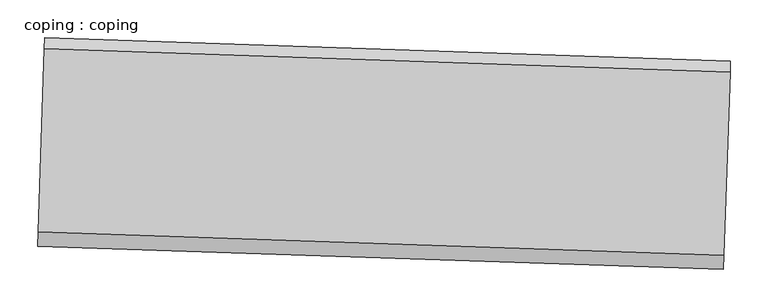
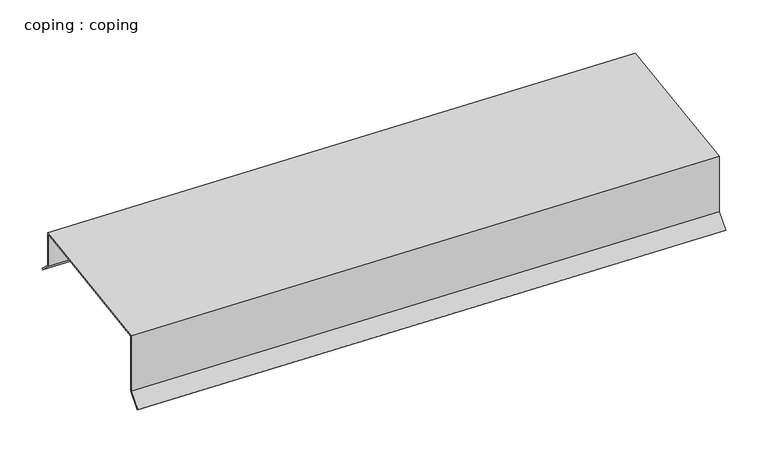
"""IFC4 building model written with IfcOpenShell, lengths in millimetres: proxy geometry, coping : coping."""

from ifc_helpers import new_model, si_unit, frame, origin, place, context, project, spatial, polyline, outline, extrude, source, transform, mapped, element, save


def coping_coping_3c029912(model_context):
    return source(origin(), model_context, "Body", "SweptSolid", [
        extrude(outline(polyline([(0.0, 0.0), (8.103316, -92.578467), (28.774178, -109.9116667), (27.747703, -111.1343536), (6.5732855, -93.3789062), (-1.4610904, -1.5880635), (-243.6243314, -1.5874977), (-239.0117132, -54.2855692), (-253.1689135, -71.1488218), (-254.3883607, -70.126272), (-240.6509507, -53.7630506), (-245.3567856, 1e-07), (0.0, 0.0)])), frame((34354.3540119, -15476.9442567, 5790.4011537), z_axis=(-0.9994149479163354, 0.0342017818452304, 0.0), x_axis=(-0.03407151389689274, -0.9956083703703995, -0.08719578423967113)), (0.0, 0.0, 1.0), 914.3964769),
    ])


if __name__ == "__main__":
    model = new_model("IFC4")
    model_context = context("Model", 3, world=origin())
    ifc_project = project(units=[si_unit("LENGTHUNIT", "METRE", prefix="MILLI")], contexts=[model_context])
    site = spatial("IfcSite", under=ifc_project)
    building = spatial("IfcBuilding", under=site)
    placement = place(None, origin())
    coping_coping_shape = coping_coping_3c029912(model_context)
    element("IfcBuildingElementProxy", 1, Name="coping : coping", ObjectType="coping : coping", at=placement, inside=building, context=model_context, shape_type="MappedRepresentation", body=[
        mapped(coping_coping_shape, transform((0.0, 0.0, 0.0), x_axis=(1.0, 0.0, 0.0), y_axis=(0.0, 1.0, 0.0), z_axis=(0.0, 0.0, 1.0))),
    ])
    save(model, "model.ifc")
